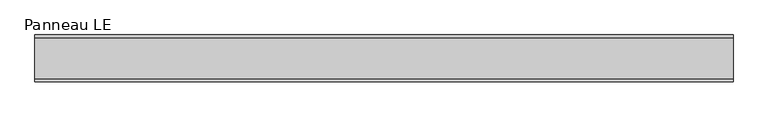
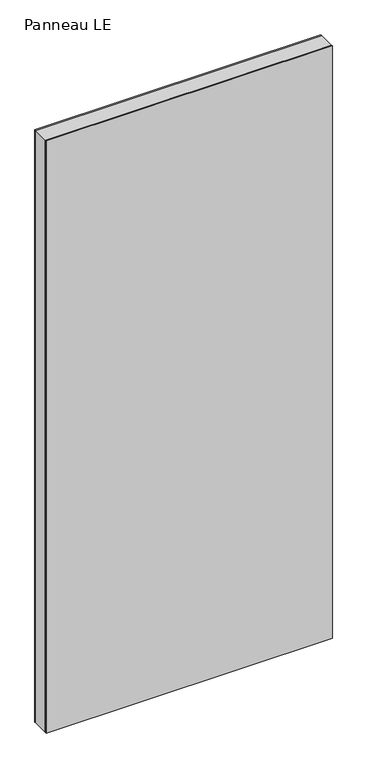
"""IFC4 building model written with IfcOpenShell, lengths in millimetres: plate geometry, Panneau LE."""

from ifc_helpers import new_model, si_unit, frame, origin, origin_with_axes, place, context, project, spatial, polyline, outline, extrude, source, transform, mapped, element, save


def panneau_le_60f24209(model_context):
    return source(origin(), model_context, "Body", "SweptSolid", [
        extrude(outline(polyline([(2933.0, 671.0833333), (2933.0, -671.0833333), (0.0, -671.0833333), (0.0, 671.0833333), (2933.0, 671.0833333)]), holes=[polyline([(30.0, -631.0833333), (2873.0, -631.0833333), (2873.0, 631.0833333), (30.0, 631.0833333), (30.0, -631.0833333)])]), frame((0.0, -39.0, 0.0), z_axis=(0.0, 1.0, 0.0), x_axis=(0.0, 0.0, 1.0)), (0.0, 0.0, 1.0), 78.0),
        extrude(outline(polyline([(671.0833333, 39.0), (-671.0833333, 39.0), (-671.0833333, 45.0), (671.0833333, 45.0), (671.0833333, 39.0)])), origin_with_axes(), (0.0, 0.0, 1.0), 2933.0),
        extrude(outline(polyline([(-671.0833333, -45.0), (-671.0833333, -39.0), (671.0833333, -39.0), (671.0833333, -45.0), (-671.0833333, -45.0)])), origin_with_axes(), (0.0, 0.0, 1.0), 2933.0),
    ])


if __name__ == "__main__":
    model = new_model("IFC4")
    model_context = context("Model", 3, world=origin())
    ifc_project = project(units=[si_unit("LENGTHUNIT", "METRE", prefix="MILLI")], contexts=[model_context])
    site = spatial("IfcSite", under=ifc_project)
    building = spatial("IfcBuilding", under=site)
    placement = place(None, origin())
    panneau_le_shape = panneau_le_60f24209(model_context)
    element("IfcPlate", 1, ObjectType="Panneau LE", at=placement, inside=building, context=model_context, shape_type="MappedRepresentation", body=[
        mapped(panneau_le_shape, transform((0.0, 0.0, 0.0), x_axis=(1.0, 0.0, 0.0), y_axis=(0.0, 1.0, 0.0), z_axis=(0.0, 0.0, 1.0))),
    ])
    save(model, "model.ifc")
